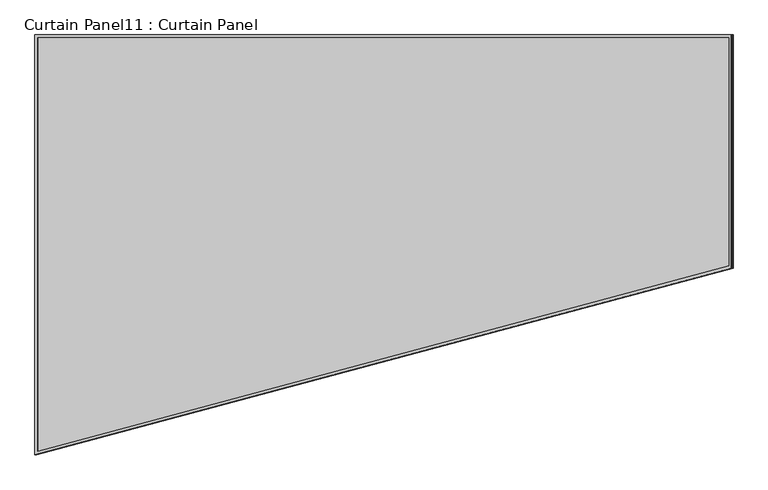
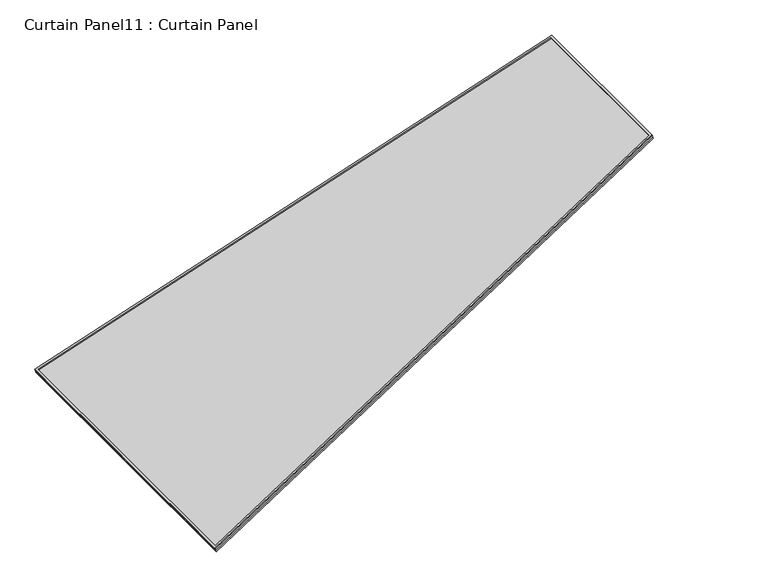
"""IFC4 building model written with IfcOpenShell, lengths in millimetres: plate geometry, Curtain Panel11 : Curtain Panel."""

from ifc_helpers import new_model, si_unit, frame, origin, place, context, project, spatial, polyline, outline, extrude, source, transform, mapped, element, save


def curtain_panel11_curtain_panel_d4d9f25c(model_context):
    return source(origin(), model_context, "Body", "SweptSolid", [
        extrude(outline(polyline([(1625.9225981, -2842.276264), (722.5243658, -2842.276264), (0.0, 0.0), (1625.9225981, 0.0), (1625.9225981, -2842.276264)]), holes=[polyline([(1614.8100981, -11.1124999), (14.2907959, -11.1124999), (731.165428, -2831.1637639), (1614.8100981, -2831.1637639), (1614.8100981, -11.1124999)])]), frame((2907.1002856, -1162.3581779, -9.1996683), z_axis=(-0.3161458239738097, 0.0, 0.9487106081329127), x_axis=(0.0, 1.0, 0.0)), (0.0, 0.0, 1.0), 4.8916363),
        extrude(outline(polyline([(1625.9225981, -2842.276264), (722.5243658, -2842.276264), (0.0, 0.0), (1625.9225981, 0.0), (1625.9225981, -2842.276264)]), holes=[polyline([(1614.8135037, -11.1090944), (14.2864163, -11.1090944), (731.1627799, -2831.1671695), (1614.8135037, -2831.1671695), (1614.8135037, -11.1090944)])]), frame((2912.6569749, -1162.3581779, -25.874537), z_axis=(-0.3161458239737983, 0.0, 0.9487106081329165), x_axis=(0.0, 1.0, 0.0)), (0.0, 0.0, 1.0), 4.8061278),
        extrude(outline(polyline([(25.6727144, 0.0), (1651.5953125, 0.0), (1651.5953125, -2842.276264), (748.1970802, -2842.276264), (25.6727144, 0.0)])), frame((2911.1375376, -1188.0308923, -21.3149126), z_axis=(-0.3161458239738053, 0.0, 0.9487106081329142), x_axis=(0.0, 1.0, 0.0)), (0.0, 0.0, 1.0), 12.7702211),
    ])


if __name__ == "__main__":
    model = new_model("IFC4")
    model_context = context("Model", 3, world=origin())
    ifc_project = project(units=[si_unit("LENGTHUNIT", "METRE", prefix="MILLI")], contexts=[model_context])
    site = spatial("IfcSite", under=ifc_project)
    building = spatial("IfcBuilding", under=site)
    placement = place(None, origin())
    curtain_panel11_curtain_panel_shape = curtain_panel11_curtain_panel_d4d9f25c(model_context)
    element("IfcPlate", 1, ObjectType="Curtain Panel11 : Curtain Panel", at=placement, inside=building, context=model_context, shape_type="MappedRepresentation", body=[
        mapped(curtain_panel11_curtain_panel_shape, transform((0.0, 0.0, 0.0), x_axis=(1.0, 0.0, 0.0), y_axis=(0.0, 1.0, 0.0), z_axis=(0.0, 0.0, 1.0))),
    ])
    save(model, "model.ifc")
